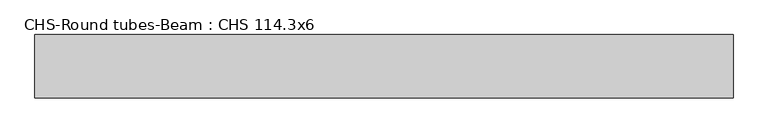
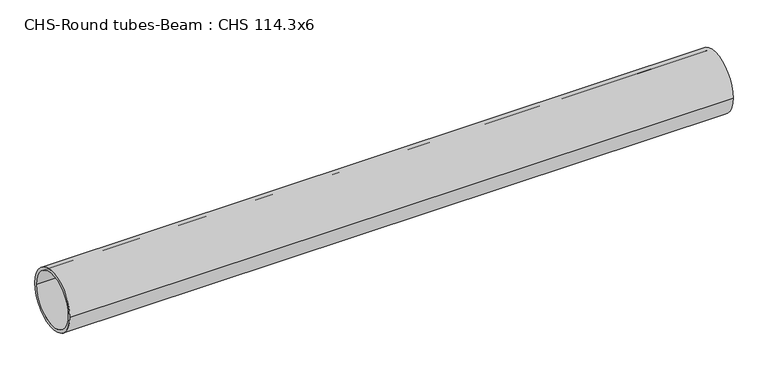
"""IFC4 building model written with IfcOpenShell, lengths in millimetres: beam geometry, CHS-Round tubes-Beam : CHS 114.3x6."""

from ifc_helpers import new_model, si_unit, point, frame, origin, origin_2d, place, context, project, spatial, circle_curve, trimmed, segment, composite_curve, outline, extrude, source, transform, mapped, element, save


def chs_round_tubes_beam_chs_114_3x6_368e99b4(model_context):
    return source(origin(), model_context, "Body", "SweptSolid", [
        extrude(outline(composite_curve([segment(trimmed(circle_curve(origin_2d(), 57.15), [point((57.15, 0.0))], [point((-57.15, 0.0))], False, "CARTESIAN"), True, "CONTINUOUS"), segment(trimmed(circle_curve(origin_2d(), 57.15), [point((-57.15, 0.0))], [point((57.15, 0.0))], False, "CARTESIAN"), True, "CONTINUOUS")], self_intersect=False), holes=[composite_curve([segment(trimmed(circle_curve(origin_2d(), 51.15), [point((51.15, 0.0))], [point((-51.15, 0.0))], True, "CARTESIAN"), True, "CONTINUOUS"), segment(trimmed(circle_curve(origin_2d(), 51.15), [point((-51.15, 0.0))], [point((51.15, 0.0))], True, "CARTESIAN"), True, "CONTINUOUS")], self_intersect=False)]), frame((-627.8624406, 0.0, 0.0), z_axis=(1.0, 0.0, 0.0), x_axis=(0.0, 1.0, 0.0)), (0.0, 0.0, 1.0), 1255.7246776),
    ])


if __name__ == "__main__":
    model = new_model("IFC4")
    model_context = context("Model", 3, world=origin())
    ifc_project = project(units=[si_unit("LENGTHUNIT", "METRE", prefix="MILLI")], contexts=[model_context])
    site = spatial("IfcSite", under=ifc_project)
    building = spatial("IfcBuilding", under=site)
    placement = place(None, origin())
    chs_round_tubes_beam_chs_114_3x6_shape = chs_round_tubes_beam_chs_114_3x6_368e99b4(model_context)
    element("IfcBeam", 1, ObjectType="CHS-Round tubes-Beam : CHS 114.3x6", at=placement, inside=building, context=model_context, shape_type="MappedRepresentation", body=[
        mapped(chs_round_tubes_beam_chs_114_3x6_shape, transform((0.0, 0.0, 0.0), x_axis=(1.0, 0.0, 0.0), y_axis=(0.0, 1.0, 0.0), z_axis=(0.0, 0.0, 1.0))),
    ])
    save(model, "model.ifc")
